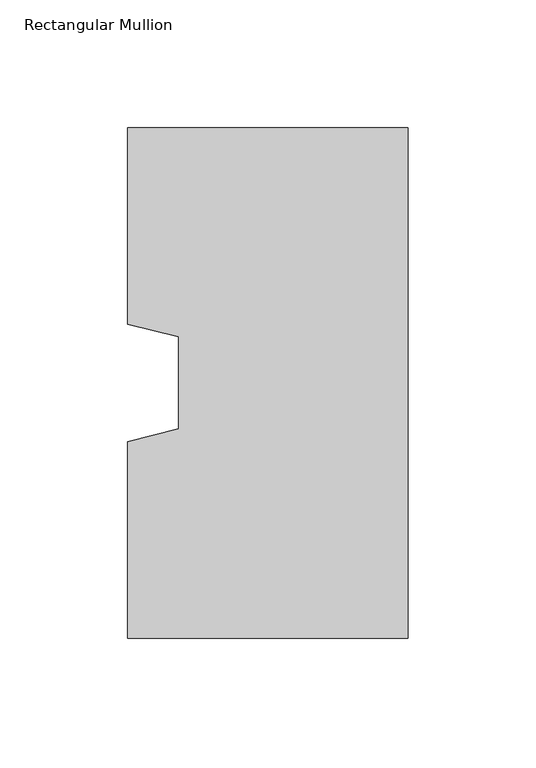
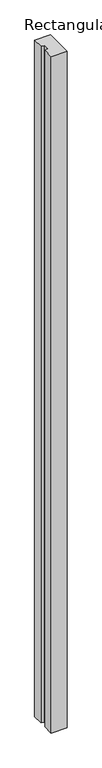
"""IFC4 building model written with IfcOpenShell, lengths in millimetres: column geometry, Rectangular Mullion."""

from ifc_helpers import new_model, si_unit, frame, origin, place, context, project, spatial, polyline, outline, extrude, source, transform, mapped, element, save


def rectangular_mullion_1fd3c987(model_context):
    return source(origin(), model_context, "Body", "SweptSolid", [
        extrude(outline(polyline([(-110.0, -100.0), (-110.0, -23.0), (-90.0, -18.0), (-90.0, 18.0), (-110.0, 23.0), (-110.0, 100.0), (0.0, 100.0), (0.0, -100.0), (-110.0, -100.0)])), frame((0.0, 0.0, -5000.0), z_axis=(0.0, 0.0, 1.0), x_axis=(1.0, 0.0, 0.0)), (0.0, 0.0, 1.0), 5000.0),
    ])


if __name__ == "__main__":
    model = new_model("IFC4")
    model_context = context("Model", 3, world=origin())
    ifc_project = project(units=[si_unit("LENGTHUNIT", "METRE", prefix="MILLI")], contexts=[model_context])
    site = spatial("IfcSite", under=ifc_project)
    building = spatial("IfcBuilding", under=site)
    placement = place(None, origin())
    rectangular_mullion_shape = rectangular_mullion_1fd3c987(model_context)
    element("IfcColumn", 1, ObjectType="Rectangular Mullion", at=placement, inside=building, context=model_context, shape_type="MappedRepresentation", body=[
        mapped(rectangular_mullion_shape, transform((0.0, 0.0, 0.0), x_axis=(1.0, 0.0, 0.0), y_axis=(0.0, 1.0, 0.0), z_axis=(0.0, 0.0, 1.0))),
    ])
    save(model, "model.ifc")
